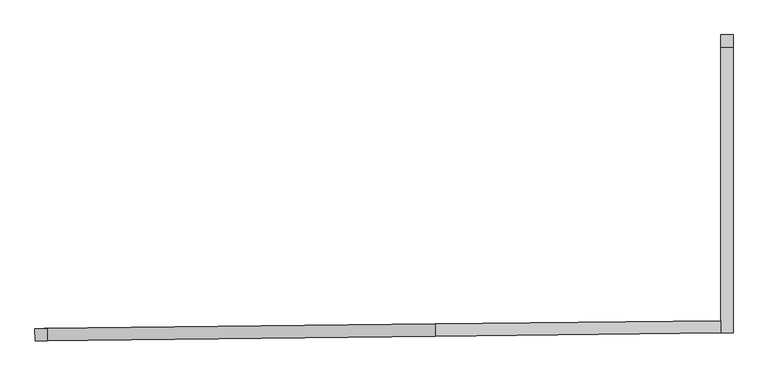
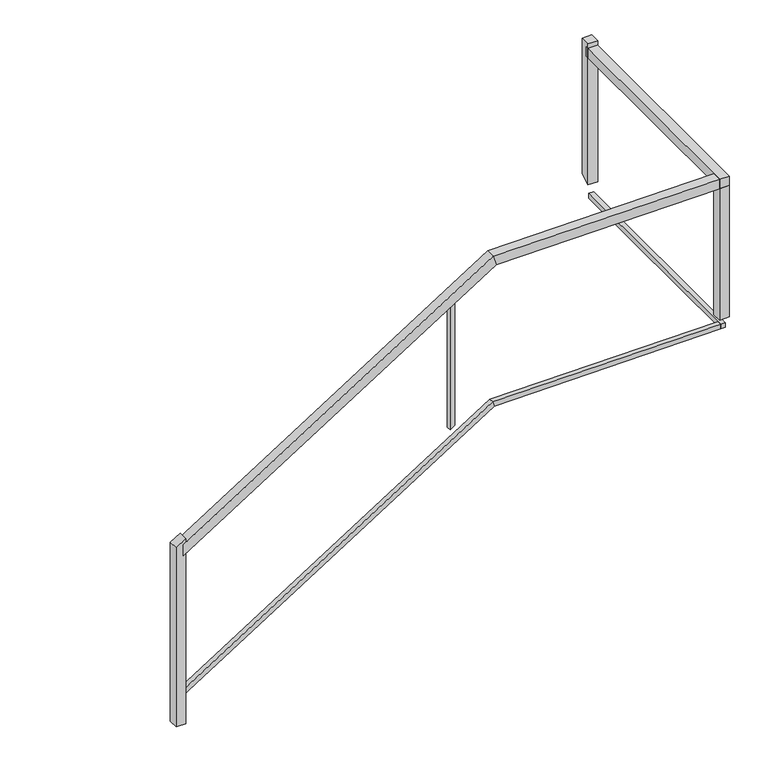
"""IFC4 building model written with IfcOpenShell, lengths in millimetres: railing geometry."""

from ifc_helpers import new_model, si_unit, frame, origin, place, context, project, spatial, polyline, outline, extrude, faceted_brep, source, transform, mapped, element, save


def railing_1aa4bf88(model_context):
    return source(origin(), model_context, "Body", "SolidModel", [
        faceted_brep([(-19899.61272, 118230.5150663, 3188.6936501), (-19900.2037507, 118281.3116281, 3188.6936501), (-19900.2037507, 118281.3116281, 3128.9063499), (-19899.61272, 118230.5150663, 3128.9063499), (-18274.9636407, 118249.4182667, 4197.0), (-18275.5546715, 118300.2148284, 4197.0), (-18261.0737462, 118300.3833176, 4146.2), (-18260.4827155, 118249.5867559, 4146.2), (-17089.2805784, 118263.2139871, 4197.0), (-17089.2805784, 118263.2139871, 4146.2), (-17089.2805784, 118314.0174256, 4146.2), (-17089.2805784, 118314.0174256, 4197.0)], [[[0, 1, 2, 3]], [[1, 0, 4, 5]], [[2, 1, 5, 6]], [[3, 2, 6, 7]], [[0, 3, 7, 4]], [[8, 9, 10, 11]], [[5, 4, 8, 11]], [[6, 5, 11, 10]], [[7, 6, 10, 9]], [[4, 7, 9, 8]]]),
        faceted_brep([(-19899.7604777, 118243.2142068, 2376.146825), (-19900.055993, 118268.6124876, 2376.146825), (-19900.055993, 118268.6124876, 2346.253175), (-19899.7604777, 118243.2142068, 2346.253175), (-18271.4911671, 118262.1595294, 3386.7), (-18271.7866825, 118287.5578103, 3386.7), (-18264.5462198, 118287.6420549, 3361.3), (-18264.2507045, 118262.243774, 3361.3), (-17076.5805784, 118276.0626144, 3386.7), (-17076.5805784, 118276.0626144, 3361.3), (-17076.5805784, 118301.4643337, 3361.3), (-17076.5805784, 118301.4643337, 3386.7)], [[[0, 1, 2, 3]], [[1, 0, 4, 5]], [[2, 1, 5, 6]], [[3, 2, 6, 7]], [[0, 3, 7, 4]], [[8, 9, 10, 11]], [[5, 4, 8, 11]], [[6, 5, 11, 10]], [[7, 6, 10, 9]], [[4, 7, 9, 8]]]),
        faceted_brep([(-17038.4805784, 118263.8050579, 4197.0), (-17089.2805784, 118263.2139871, 4197.0), (-17089.2805784, 118263.2139871, 4146.2), (-17038.4805784, 118263.8050579, 4146.2), (-17038.4805784, 119464.2949762, 4197.0), (-17038.4805784, 119464.2949762, 4146.2), (-17089.2805784, 119464.2949762, 4146.2), (-17089.2805784, 119464.2949762, 4197.0)], [[[0, 1, 2, 3]], [[4, 5, 6, 7]], [[1, 0, 4, 7]], [[2, 1, 7, 6]], [[3, 2, 6, 5]], [[0, 3, 5, 4]]]),
        faceted_brep([(-17051.1805784, 118276.3581498, 3386.7), (-17076.5805784, 118276.0626144, 3386.7), (-17076.5805784, 118276.0626144, 3361.3), (-17051.1805784, 118276.3581498, 3361.3), (-17051.1805784, 119464.2949762, 3386.7), (-17051.1805784, 119464.2949762, 3361.3), (-17076.5805784, 119464.2949762, 3361.3), (-17076.5805784, 119464.2949762, 3386.7)], [[[0, 1, 2, 3]], [[4, 5, 6, 7]], [[1, 0, 4, 7]], [[2, 1, 7, 6]], [[3, 2, 6, 5]], [[0, 3, 5, 4]]]),
        extrude(outline(polyline([(29.89365, -1e-07), (415.5343379, -621.411535), (385.6406879, -621.411535), (0.0, 0.0), (29.89365, -1e-07)])), frame((-18469.0475088, 118259.8609117, 4059.443735), z_axis=(-0.011634463823806986, 0.9999323173352948, 0.0), x_axis=(-0.849621267409099, -0.009885556980446736, -0.5273006521230015)), (0.0, 0.0, 1.0), 25.4),
        extrude(outline(polyline([(-17089.5743746, 118314.0140072), (-17038.7778129, 118314.605038), (-17038.1867822, 118263.8084763), (-17088.9833439, 118263.2174455), (-17089.5743746, 118314.0140072)])), frame((0.0, 0.0, 3421.6), z_axis=(0.0, 0.0, 1.0), x_axis=(1.0, 0.0, 0.0)), (0.0, 0.0, 1.0), 724.6),
        extrude(outline(polyline([(119451.5949762, 4222.5), (119502.3949762, 4222.5), (119502.3949762, 3477.8909278), (119451.5949762, 3446.3650455), (119451.5949762, 4222.5)])), frame((-17089.2805784, 0.0, 0.0), z_axis=(1.0, 0.0, 0.0), x_axis=(0.0, 1.0, 0.0)), (0.0, 0.0, 1.0), 50.8),
        extrude(outline(polyline([(59.7873002, 0.0), (579.2507138, -837.0500502), (536.0870319, -863.8369234), (0.0, 0.0), (59.7873002, 0.0)])), frame((-19886.9135795, 118230.662824, 3217.5814706), z_axis=(-0.011634463823806986, 0.9999323173352948, 0.0), x_axis=(-0.8496212674091052, -0.009885556980446807, -0.5273006521229916)), (0.0, 0.0, 1.0), 50.8),
    ])


if __name__ == "__main__":
    model = new_model("IFC4")
    model_context = context("Model", 3, world=origin())
    ifc_project = project(units=[si_unit("LENGTHUNIT", "METRE", prefix="MILLI")], contexts=[model_context])
    site = spatial("IfcSite", under=ifc_project)
    building = spatial("IfcBuilding", under=site)
    placement = place(None, origin())
    railing_shape = railing_1aa4bf88(model_context)
    element("IfcRailing", 1, at=placement, inside=building, context=model_context, shape_type="MappedRepresentation", body=[
        mapped(railing_shape, transform((0.0, 0.0, 0.0), x_axis=(1.0, 0.0, 0.0), y_axis=(0.0, 1.0, 0.0), z_axis=(0.0, 0.0, 1.0))),
    ])
    save(model, "model.ifc")
